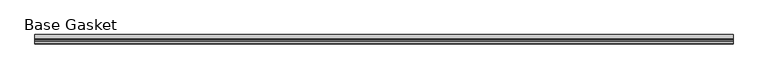
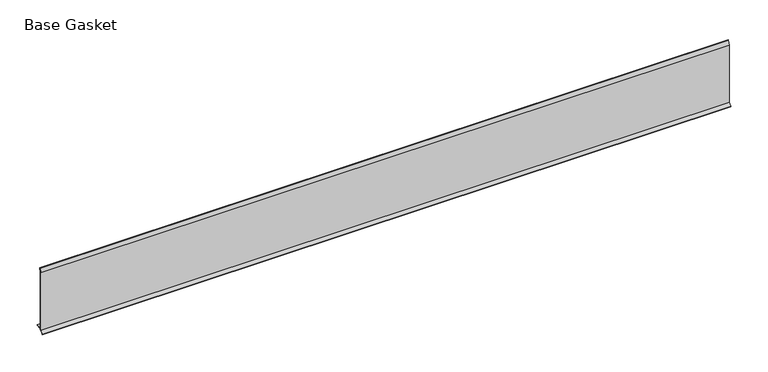
"""IFC4 building model written with IfcOpenShell, lengths in millimetres: furniture geometry, Base Gasket."""

from ifc_helpers import new_model, si_unit, frame, origin, place, context, project, spatial, polyline, outline, extrude, source, transform, mapped, element, save


def base_gasket_59fc2744(model_context):
    return source(origin(), model_context, "Body", "SweptSolid", [
        extrude(outline(polyline([(-3.7283812, 98.4568417), (-1.1891543, 104.587663), (-0.6755308, 105.2002997), (-0.6755308, 104.4162708), (-2.2043812, 98.4568417), (-2.2043812, 96.8693477), (-1.4106313, 96.8693477), (-1.4106313, 71.4693447), (-2.2043812, 71.4693447), (-2.2043812, 7.9398773), (6.2405171, 7.9398773), (6.2405171, 6.3818476), (-2.1334222, 6.3818476), (-2.2043812, 4.3498477), (-6.8281054, 0.3520979), (-7.8482342, 0.0), (-7.4222115, 0.6560174), (-3.7283812, 4.3498477), (-3.7283812, 98.4568417)])), frame((-1527.8982117, 0.0, 0.0), z_axis=(1.0, 0.0, 0.0), x_axis=(0.0, 1.0, 0.0)), (0.0, 0.0, 1.0), 1066.8),
    ])


if __name__ == "__main__":
    model = new_model("IFC4")
    model_context = context("Model", 3, world=origin())
    ifc_project = project(units=[si_unit("LENGTHUNIT", "METRE", prefix="MILLI")], contexts=[model_context])
    site = spatial("IfcSite", under=ifc_project)
    building = spatial("IfcBuilding", under=site)
    placement = place(None, origin())
    base_gasket_shape = base_gasket_59fc2744(model_context)
    element("IfcFurniture", 1, ObjectType="Base Gasket", at=placement, inside=building, context=model_context, shape_type="MappedRepresentation", body=[
        mapped(base_gasket_shape, transform((0.0, 0.0, 0.0), x_axis=(1.0, 0.0, 0.0), y_axis=(0.0, 1.0, 0.0), z_axis=(0.0, 0.0, 1.0))),
    ])
    save(model, "model.ifc")
